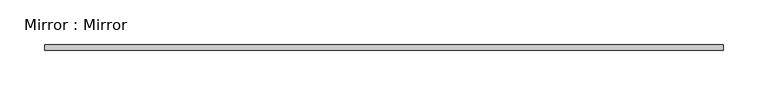
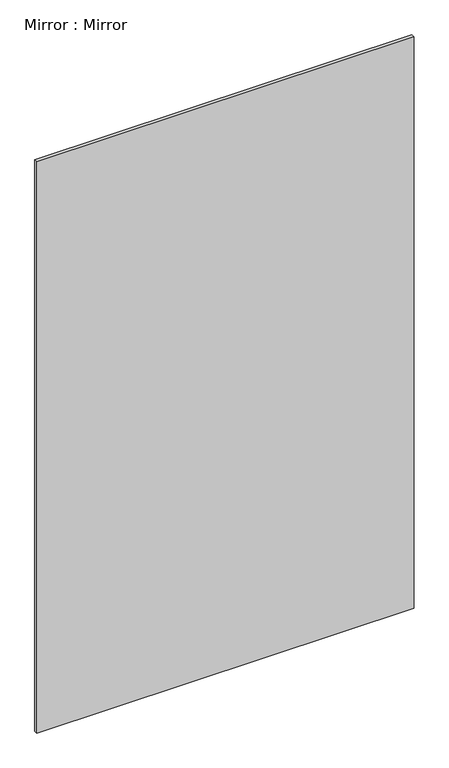
"""IFC4 building model written with IfcOpenShell, lengths in millimetres: proxy geometry, Mirror : Mirror."""

from ifc_helpers import new_model, si_unit, frame, origin, place, context, project, spatial, polyline, outline, extrude, source, transform, mapped, element, save


def mirror_mirror_80f59f64(model_context):
    return source(origin(), model_context, "Body", "SweptSolid", [
        extrude(outline(polyline([(-381.0, 60.325), (381.0, 60.325), (381.0, 53.975), (-381.0, 53.975), (-381.0, 60.325)])), frame((0.0, 0.0, 1066.8), z_axis=(0.0, 0.0, 1.0), x_axis=(1.0, 0.0, 0.0)), (0.0, 0.0, 1.0), 1219.2),
    ])


if __name__ == "__main__":
    model = new_model("IFC4")
    model_context = context("Model", 3, world=origin())
    ifc_project = project(units=[si_unit("LENGTHUNIT", "METRE", prefix="MILLI")], contexts=[model_context])
    site = spatial("IfcSite", under=ifc_project)
    building = spatial("IfcBuilding", under=site)
    placement = place(None, origin())
    mirror_mirror_shape = mirror_mirror_80f59f64(model_context)
    element("IfcBuildingElementProxy", 1, Name="Mirror : Mirror", ObjectType="Mirror : Mirror", at=placement, inside=building, context=model_context, shape_type="MappedRepresentation", body=[
        mapped(mirror_mirror_shape, transform((0.0, 0.0, 0.0), x_axis=(1.0, 0.0, 0.0), y_axis=(0.0, 1.0, 0.0), z_axis=(0.0, 0.0, 1.0))),
    ])
    save(model, "model.ifc")
